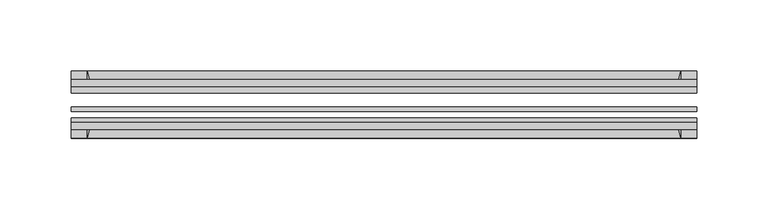
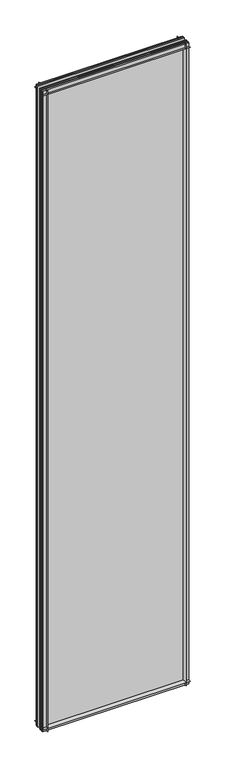
"""IFC4 building model written with IfcOpenShell, lengths in millimetres: plate geometry."""

from ifc_helpers import new_model, si_unit, point, frame, frame_2d, origin, place, context, project, spatial, polyline, circle_curve, trimmed, segment, composite_curve, outline, extrude, source, transform, mapped, element, save


def plate_d887a08e(model_context):
    return source(origin(), model_context, "Body", "SweptSolid", [
        extrude(outline(composite_curve([segment(polyline([(-74.653775, 0.0), (-80.586498, 0.0)]), True, "CONTINUOUS"), segment(trimmed(circle_curve(frame_2d((-86.2543953, 32.273404)), 32.7673262), [point((-80.586498, 0.0))], [point((-69.878575, 3.8915405))], True, "CARTESIAN"), True, "CONTINUOUS"), segment(polyline([(-69.878575, 3.8915405), (-69.878575, -10.31875), (-74.653775, -10.31875), (-74.653775, 0.0)]), True, "CONTINUOUS")], self_intersect=False)), frame((-219.0607125, 0.0, 0.0), z_axis=(1.0, 0.0, 0.0), x_axis=(0.0, 1.0, 0.0)), (0.0, 0.0, 1.0), 438.121425),
        extrude(outline(composite_curve([segment(polyline([(-44.478575, -10.31875), (-44.478575, 3.8915405)]), True, "CONTINUOUS"), segment(trimmed(circle_curve(frame_2d((-28.1027547, 32.273404)), 32.7673262), [point((-44.478575, 3.8915405))], [point((-33.770652, 0.0))], True, "CARTESIAN"), True, "CONTINUOUS"), segment(polyline([(-33.770652, 0.0), (-39.703375, 0.0), (-39.703375, -10.31875), (-44.478575, -10.31875)]), True, "CONTINUOUS")], self_intersect=False)), frame((-219.0607125, 0.0, 0.0), z_axis=(1.0, 0.0, 0.0), x_axis=(0.0, 1.0, 0.0)), (0.0, 0.0, 1.0), 438.121425),
        extrude(outline(composite_curve([segment(trimmed(circle_curve(frame_2d((-86.2543953, 1977.495246)), 32.7673262), [point((-69.878575, 2005.8771095))], [point((-80.622775, 2009.775))], True, "CARTESIAN"), True, "CONTINUOUS"), segment(polyline([(-80.622775, 2009.775), (-74.653775, 2009.775), (-74.653775, 2020.8875), (-69.878575, 2020.8875), (-69.878575, 2005.8771095)]), True, "CONTINUOUS")], self_intersect=False)), frame((-219.0607125, 0.0, 0.0), z_axis=(1.0, 0.0, 0.0), x_axis=(0.0, 1.0, 0.0)), (0.0, 0.0, 1.0), 438.121425),
        extrude(outline(composite_curve([segment(polyline([(-44.478575, 2005.8771095), (-44.478575, 2020.8875), (-39.703375, 2020.8875), (-39.703375, 2009.775), (-33.734375, 2009.775)]), True, "CONTINUOUS"), segment(trimmed(circle_curve(frame_2d((-28.1027547, 1977.495246)), 32.7673262), [point((-33.734375, 2009.775))], [point((-44.478575, 2005.8771095))], True, "CARTESIAN"), True, "CONTINUOUS")], self_intersect=False)), frame((-219.0607125, 0.0, 0.0), z_axis=(1.0, 0.0, 0.0), x_axis=(0.0, 1.0, 0.0)), (0.0, 0.0, 1.0), 438.121425),
        extrude(outline(composite_curve([segment(polyline([(204.050322, -69.878575), (219.0607125, -69.878575), (219.0607125, -74.653775), (207.9482125, -74.653775), (207.9482125, -80.622775)]), True, "CONTINUOUS"), segment(trimmed(circle_curve(frame_2d((175.6684585, -86.2543953)), 32.7673262), [point((207.9482125, -80.622775))], [point((204.050322, -69.878575))], True, "CARTESIAN"), True, "CONTINUOUS")], self_intersect=False)), frame((0.0, 0.0, -10.31875), z_axis=(0.0, 0.0, 1.0), x_axis=(1.0, 0.0, 0.0)), (0.0, 0.0, 1.0), 2031.20625),
        extrude(outline(composite_curve([segment(trimmed(circle_curve(frame_2d((175.6684585, -28.1027547)), 32.7673262), [point((204.050322, -44.478575))], [point((207.9482125, -33.734375))], True, "CARTESIAN"), True, "CONTINUOUS"), segment(polyline([(207.9482125, -33.734375), (207.9482125, -39.703375), (219.0607125, -39.703375), (219.0607125, -44.478575), (204.050322, -44.478575)]), True, "CONTINUOUS")], self_intersect=False)), frame((0.0, 0.0, -10.31875), z_axis=(0.0, 0.0, 1.0), x_axis=(1.0, 0.0, 0.0)), (0.0, 0.0, 1.0), 2031.20625),
        extrude(outline(composite_curve([segment(trimmed(circle_curve(frame_2d((-175.6684585, -86.2543953)), 32.7673262), [point((-204.050322, -69.878575))], [point((-207.9482125, -80.622775))], True, "CARTESIAN"), True, "CONTINUOUS"), segment(polyline([(-207.9482125, -80.622775), (-207.9482125, -74.653775), (-219.0607125, -74.653775), (-219.0607125, -69.878575), (-204.050322, -69.878575)]), True, "CONTINUOUS")], self_intersect=False)), frame((0.0, 0.0, -10.31875), z_axis=(0.0, 0.0, 1.0), x_axis=(1.0, 0.0, 0.0)), (0.0, 0.0, 1.0), 2031.20625),
        extrude(outline(composite_curve([segment(polyline([(-204.050322, -44.478575), (-219.0607125, -44.478575), (-219.0607125, -39.703375), (-207.9482125, -39.703375), (-207.9482125, -33.734375)]), True, "CONTINUOUS"), segment(trimmed(circle_curve(frame_2d((-175.6684585, -28.1027547)), 32.7673262), [point((-207.9482125, -33.734375))], [point((-204.050322, -44.478575))], True, "CARTESIAN"), True, "CONTINUOUS")], self_intersect=False)), frame((0.0, 0.0, -10.31875), z_axis=(0.0, 0.0, 1.0), x_axis=(1.0, 0.0, 0.0)), (0.0, 0.0, 1.0), 2031.20625),
        extrude(outline(polyline([(-219.0607125, -44.478575), (219.0607125, -44.478575), (219.0607125, -49.241075), (-219.0607125, -49.241075), (-219.0607125, -44.478575)])), frame((0.0, 0.0, -10.31875), z_axis=(0.0, 0.0, 1.0), x_axis=(1.0, 0.0, 0.0)), (0.0, 0.0, 1.0), 2031.20625),
        extrude(outline(polyline([(219.0607125, -58.956575), (219.0607125, -62.131575), (-219.0607125, -62.131575), (-219.0607125, -58.956575), (219.0607125, -58.956575)])), frame((0.0, 0.0, -10.31875), z_axis=(0.0, 0.0, 1.0), x_axis=(1.0, 0.0, 0.0)), (0.0, 0.0, 1.0), 2031.20625),
        extrude(outline(polyline([(-219.0607125, -66.703575), (219.0607125, -66.703575), (219.0607125, -69.878575), (-219.0607125, -69.878575), (-219.0607125, -66.703575)])), frame((0.0, 0.0, -10.31875), z_axis=(0.0, 0.0, 1.0), x_axis=(1.0, 0.0, 0.0)), (0.0, 0.0, 1.0), 2031.20625),
    ])


if __name__ == "__main__":
    model = new_model("IFC4")
    model_context = context("Model", 3, world=origin())
    ifc_project = project(units=[si_unit("LENGTHUNIT", "METRE", prefix="MILLI")], contexts=[model_context])
    site = spatial("IfcSite", under=ifc_project)
    building = spatial("IfcBuilding", under=site)
    placement = place(None, origin())
    plate_shape = plate_d887a08e(model_context)
    element("IfcPlate", 1, at=placement, inside=building, context=model_context, shape_type="MappedRepresentation", body=[
        mapped(plate_shape, transform((0.0, 0.0, 0.0), x_axis=(1.0, 0.0, 0.0), y_axis=(0.0, 1.0, 0.0), z_axis=(0.0, 0.0, 1.0))),
    ])
    save(model, "model.ifc")
